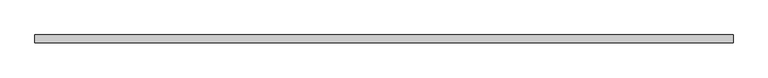
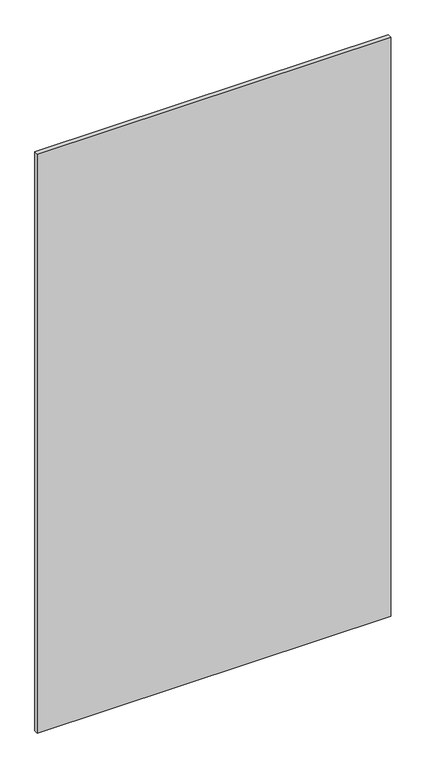
"""IFC4 building model written with IfcOpenShell, lengths in millimetres: plate geometry."""

from ifc_helpers import new_model, si_unit, origin, origin_with_axes, place, context, project, spatial, polyline, outline, extrude, source, transform, mapped, element, save


def plate_764ca8f7(model_context):
    return source(origin(), model_context, "Body", "SweptSolid", [
        extrude(outline(polyline([(627.75, -40.2), (-627.75, -40.2), (-627.75, -26.2), (627.75, -26.2), (627.75, -40.2)])), origin_with_axes(), (0.0, 0.0, 1.0), 2173.3),
    ])


if __name__ == "__main__":
    model = new_model("IFC4")
    model_context = context("Model", 3, world=origin())
    ifc_project = project(units=[si_unit("LENGTHUNIT", "METRE", prefix="MILLI")], contexts=[model_context])
    site = spatial("IfcSite", under=ifc_project)
    building = spatial("IfcBuilding", under=site)
    placement = place(None, origin())
    plate_shape = plate_764ca8f7(model_context)
    element("IfcPlate", 1, at=placement, inside=building, context=model_context, shape_type="MappedRepresentation", body=[
        mapped(plate_shape, transform((0.0, 0.0, 0.0), x_axis=(1.0, 0.0, 0.0), y_axis=(0.0, 1.0, 0.0), z_axis=(0.0, 0.0, 1.0))),
    ])
    save(model, "model.ifc")
